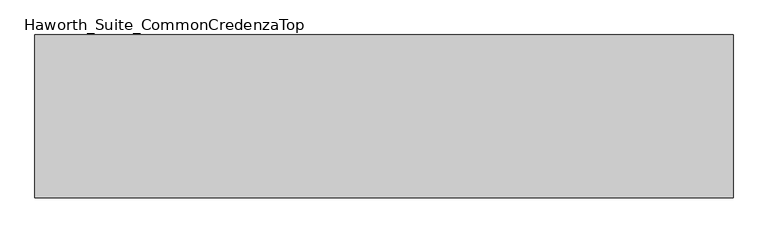
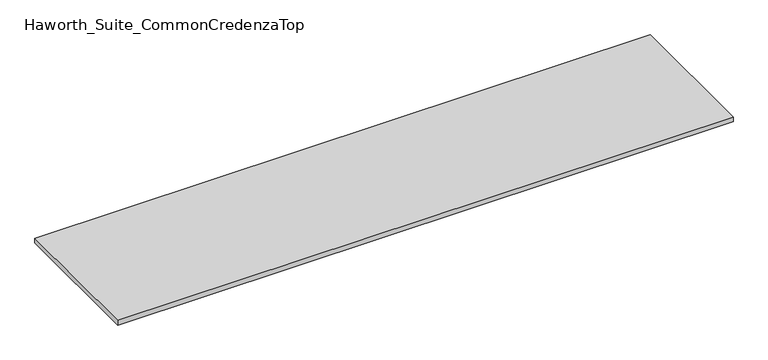
"""IFC4 building model written with IfcOpenShell, lengths in millimetres: furniture geometry, Haworth_Suite_CommonCredenzaTop."""

from ifc_helpers import new_model, si_unit, frame, origin, place, context, project, spatial, polyline, outline, extrude, source, transform, mapped, element, save


def haworth_suite_commoncredenzatop_82a1ad14(model_context):
    return source(origin(), model_context, "Body", "SweptSolid", [
        extrude(outline(polyline([(1206.5, -31.75), (1206.5, -600.075), (-1231.9, -600.075), (-1231.9, -31.75), (1206.5, -31.75)])), frame((0.0, 0.0, 569.9125), z_axis=(0.0, 0.0, 1.0), x_axis=(1.0, 0.0, 0.0)), (0.0, 0.0, 1.0), 19.05),
    ])


if __name__ == "__main__":
    model = new_model("IFC4")
    model_context = context("Model", 3, world=origin())
    ifc_project = project(units=[si_unit("LENGTHUNIT", "METRE", prefix="MILLI")], contexts=[model_context])
    site = spatial("IfcSite", under=ifc_project)
    building = spatial("IfcBuilding", under=site)
    placement = place(None, origin())
    haworth_suite_commoncredenzatop_shape = haworth_suite_commoncredenzatop_82a1ad14(model_context)
    element("IfcFurniture", 1, ObjectType="Haworth_Suite_CommonCredenzaTop", at=placement, inside=building, context=model_context, shape_type="MappedRepresentation", body=[
        mapped(haworth_suite_commoncredenzatop_shape, transform((0.0, 0.0, 0.0), x_axis=(1.0, 0.0, 0.0), y_axis=(0.0, 1.0, 0.0), z_axis=(0.0, 0.0, 1.0))),
    ])
    save(model, "model.ifc")
